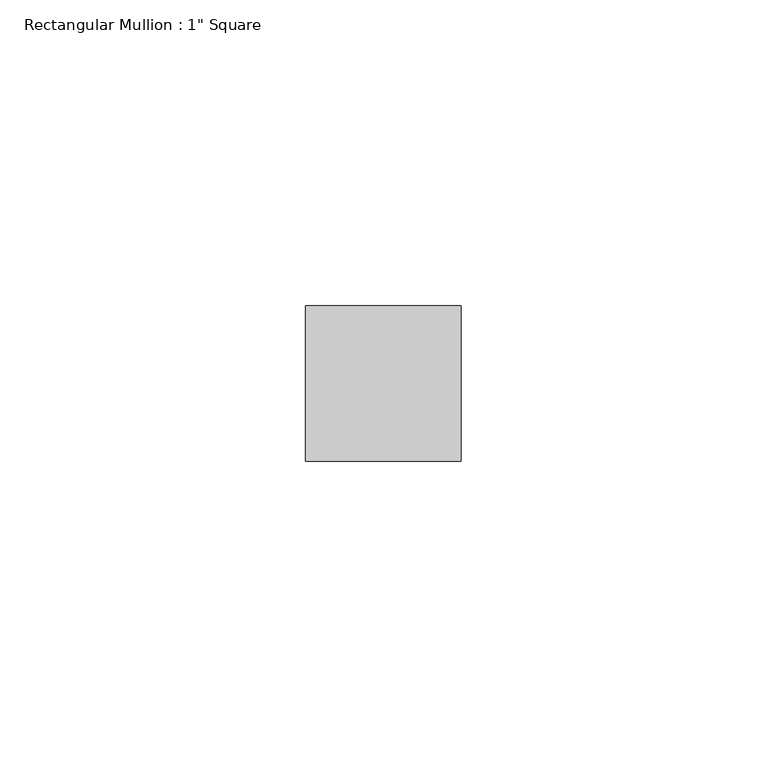
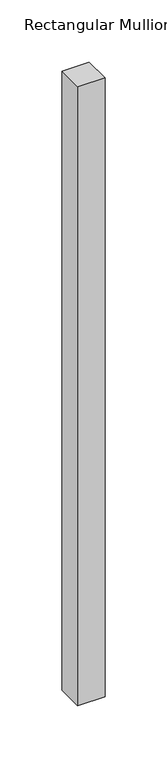
"""IFC4 building model written with IfcOpenShell, lengths in millimetres: member geometry."""

from ifc_helpers import new_model, si_unit, frame, origin, place, context, project, spatial, polyline, outline, extrude, source, transform, mapped, element, save


def member_3e1f1dd8(model_context):
    return source(origin(), model_context, "Body", "SweptSolid", [
        extrude(outline(polyline([(12.7, 12.7), (12.7, -12.7), (-12.7, -12.7), (-12.7, 12.7), (12.7, 12.7)])), frame((0.0, 0.0, -609.6), z_axis=(0.0, 0.0, 1.0), x_axis=(1.0, 0.0, 0.0)), (0.0, 0.0, 1.0), 609.6),
    ])


if __name__ == "__main__":
    model = new_model("IFC4")
    model_context = context("Model", 3, world=origin())
    ifc_project = project(units=[si_unit("LENGTHUNIT", "METRE", prefix="MILLI")], contexts=[model_context])
    site = spatial("IfcSite", under=ifc_project)
    building = spatial("IfcBuilding", under=site)
    placement = place(None, origin())
    member_shape = member_3e1f1dd8(model_context)
    element("IfcMember", 1, ObjectType="Rectangular Mullion : 1\" Square", at=placement, inside=building, context=model_context, shape_type="MappedRepresentation", body=[
        mapped(member_shape, transform((0.0, 0.0, 0.0), x_axis=(1.0, 0.0, 0.0), y_axis=(0.0, 1.0, 0.0), z_axis=(0.0, 0.0, 1.0))),
    ])
    save(model, "model.ifc")
